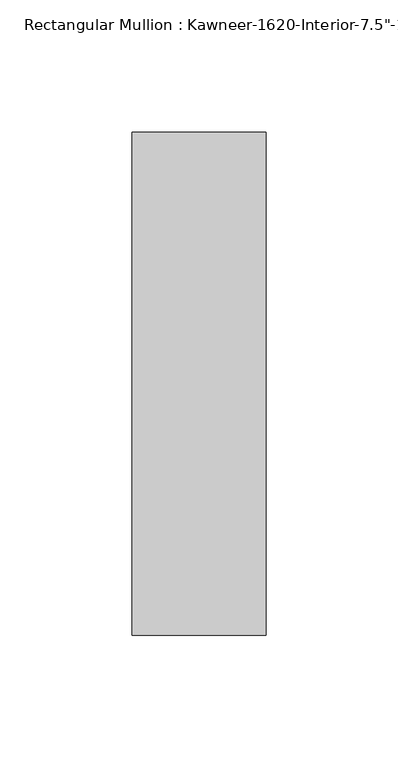
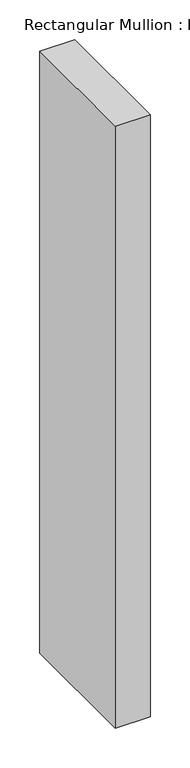
"""IFC4 building model written with IfcOpenShell, lengths in millimetres: member geometry."""

from ifc_helpers import new_model, si_unit, frame, origin, place, context, project, spatial, polyline, outline, extrude, source, transform, mapped, element, save


def member_f00254d0(model_context):
    return source(origin(), model_context, "Body", "SweptSolid", [
        extrude(outline(polyline([(25.4, 152.4), (25.4, -38.1), (-25.4, -38.1), (-25.4, 152.4), (25.4, 152.4)])), frame((0.0, 0.0, -927.1), z_axis=(0.0, 0.0, 1.0), x_axis=(1.0, 0.0, 0.0)), (0.0, 0.0, 1.0), 927.1),
    ])


if __name__ == "__main__":
    model = new_model("IFC4")
    model_context = context("Model", 3, world=origin())
    ifc_project = project(units=[si_unit("LENGTHUNIT", "METRE", prefix="MILLI")], contexts=[model_context])
    site = spatial("IfcSite", under=ifc_project)
    building = spatial("IfcBuilding", under=site)
    placement = place(None, origin())
    member_shape = member_f00254d0(model_context)
    element("IfcMember", 1, ObjectType="Rectangular Mullion : Kawneer-1620-Interior-7.5\"-1\"Infill", at=placement, inside=building, context=model_context, shape_type="MappedRepresentation", body=[
        mapped(member_shape, transform((0.0, 0.0, 0.0), x_axis=(1.0, 0.0, 0.0), y_axis=(0.0, 1.0, 0.0), z_axis=(0.0, 0.0, 1.0))),
    ])
    save(model, "model.ifc")
